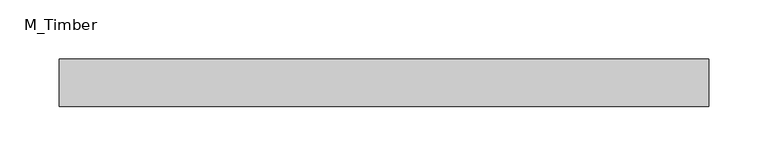
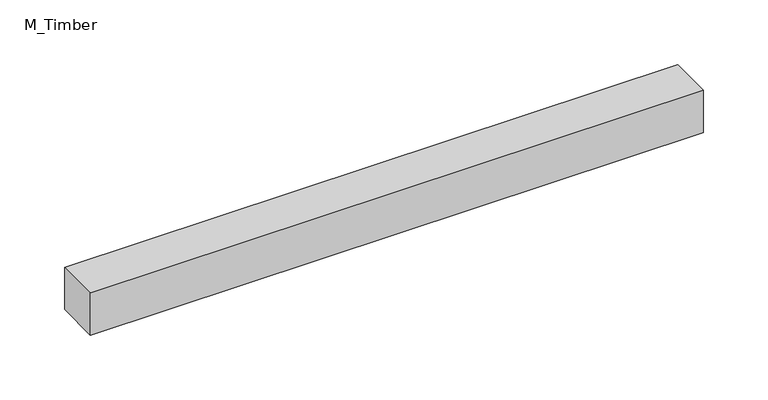
"""IFC4 building model written with IfcOpenShell, lengths in millimetres: beam geometry, M_Timber."""

from ifc_helpers import new_model, si_unit, frame, origin, place, context, project, spatial, polyline, outline, extrude, source, transform, mapped, element, save


def m_timber_166a091e(model_context):
    return source(origin(), model_context, "Body", "SweptSolid", [
        extrude(outline(polyline([(273.7315118, 20.0), (273.7315118, -20.0), (-273.7315118, -20.0), (-273.7315118, 20.0), (273.7315118, 20.0)])), frame((0.0, 0.0, -20.0), z_axis=(0.0, 0.0, 1.0), x_axis=(1.0, 0.0, 0.0)), (0.0, 0.0, 1.0), 40.0),
    ])


if __name__ == "__main__":
    model = new_model("IFC4")
    model_context = context("Model", 3, world=origin())
    ifc_project = project(units=[si_unit("LENGTHUNIT", "METRE", prefix="MILLI")], contexts=[model_context])
    site = spatial("IfcSite", under=ifc_project)
    building = spatial("IfcBuilding", under=site)
    placement = place(None, origin())
    m_timber_shape = m_timber_166a091e(model_context)
    element("IfcBeam", 1, ObjectType="M_Timber", at=placement, inside=building, context=model_context, shape_type="MappedRepresentation", body=[
        mapped(m_timber_shape, transform((0.0, 0.0, 0.0), x_axis=(1.0, 0.0, 0.0), y_axis=(0.0, 1.0, 0.0), z_axis=(0.0, 0.0, 1.0))),
    ])
    save(model, "model.ifc")
